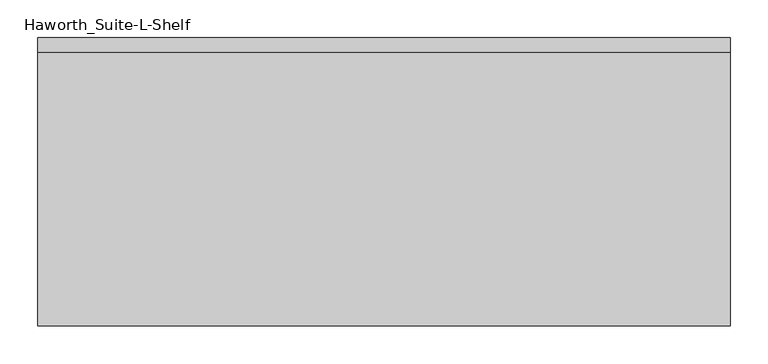
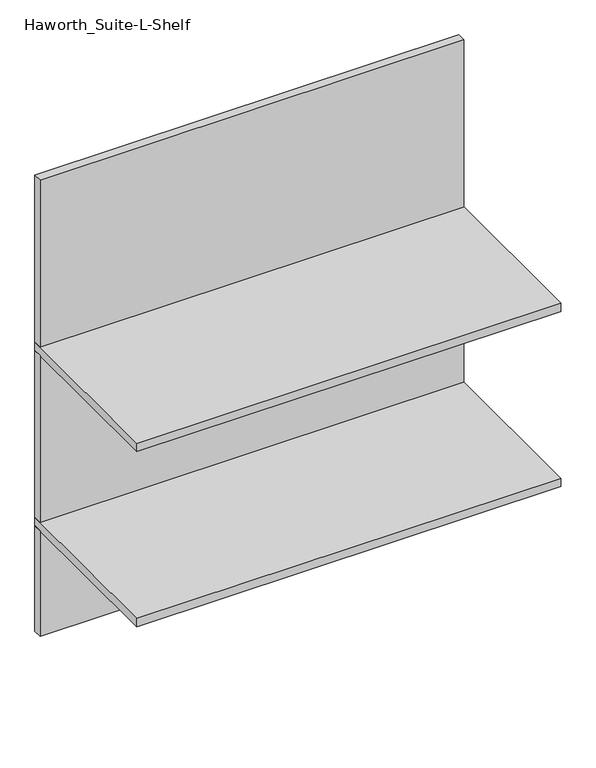
"""IFC4 building model written with IfcOpenShell, lengths in millimetres: furniture geometry, Haworth_Suite-L-Shelf."""

import ifcopenshell
import ifcopenshell.guid

model = None  # the IFC model being written
_history = None  # IfcOwnerHistory: only IFC2X3 demands one
_inside = {}  # id of a spatial element -> (the spatial element, [elements in it])
_under = {}  # id of a project, library or spatial element -> (it, [spatial elements below it])
_declared = {}  # id of a project -> (the project, [libraries it declares])
_typed = {}  # id of a type object -> (the type object, [elements of that type])
_made_of = {}  # id of a material, layer set ... -> (it, [elements and type objects made of it])


def new_model(schema):
    """Start an empty IFC model of exactly this schema.

    Asked for "IFC4X3", IfcOpenShell would pick the latest addendum, in which some entities
    have other attributes; the version numbers below select the first issue.
    IFC2X3 requires an IfcOwnerHistory on every rooted entity: one is made here for all.
    """
    global model, _history
    if schema == "IFC4X3":
        model = ifcopenshell.file(schema_version=(4, 3, 0, 0))
    else:
        model = ifcopenshell.file(schema=schema)
    _inside.clear()
    _under.clear()
    _declared.clear()
    _typed.clear()
    _made_of.clear()
    _history = None
    if model.schema == "IFC2X3":
        org = make("IfcOrganization", Name="unknown")
        user = make(
            "IfcPersonAndOrganization",
            ThePerson=make("IfcPerson", FamilyName="unknown"),
            TheOrganization=org,
        )
        app = make(
            "IfcApplication",
            ApplicationDeveloper=org,
            Version="unknown",
            ApplicationFullName="unknown",
            ApplicationIdentifier="unknown",
        )
        _history = make(
            "IfcOwnerHistory",
            OwningUser=user,
            OwningApplication=app,
            ChangeAction="ADDED",
            CreationDate=0,
        )
    return model


def make(cls, **values):
    """One entity of the class cls with the attributes given. An attribute that is None is left unset."""
    return model.create_entity(
        cls, **{name: value for name, value in values.items() if value is not None}
    )


def rooted(cls, **values):
    """An entity with a GlobalId (a new one), such as an element, a storey or a relation."""
    return make(cls, GlobalId=ifcopenshell.guid.new(), OwnerHistory=_history, **values)


def si_unit(unit_type, name, prefix=None):
    """IfcSIUnit, for example si_unit("LENGTHUNIT", "METRE", prefix="MILLI")."""
    return make("IfcSIUnit", UnitType=unit_type, Prefix=prefix, Name=name)


def assignment(units):
    """IfcUnitAssignment: the units of a project."""
    return None if units is None else make("IfcUnitAssignment", Units=units)


def point(xyz):
    """IfcCartesianPoint."""
    return None if xyz is None else make("IfcCartesianPoint", Coordinates=xyz)


def direction(xyz):
    """IfcDirection."""
    return None if xyz is None else make("IfcDirection", DirectionRatios=xyz)


def frame(location, z_axis=None, x_axis=None):
    """IfcAxis2Placement3D, a coordinate frame: its origin and axes. An axis left out is left unset."""
    return make(
        "IfcAxis2Placement3D",
        Location=point(location),
        Axis=direction(z_axis),
        RefDirection=direction(x_axis),
    )


def origin():
    """The frame at (0, 0, 0) with its axes left unset."""
    return frame((0.0, 0.0, 0.0))


def place(relative_to, where):
    """IfcLocalPlacement: puts the frame where relative to a parent placement (None: the world)."""
    return make(
        "IfcLocalPlacement", PlacementRelTo=relative_to, RelativePlacement=where
    )


def context(
    kind, dimensions, precision=None, world=None, true_north=None, identifier=None
):
    """IfcGeometricRepresentationContext, for example the 3D "Model" context."""
    return make(
        "IfcGeometricRepresentationContext",
        ContextIdentifier=identifier,
        ContextType=kind,
        CoordinateSpaceDimension=dimensions,
        Precision=precision,
        WorldCoordinateSystem=world,
        TrueNorth=true_north,
    )


def project(units=None, contexts=None):
    """IfcProject with its units and contexts."""
    return rooted(
        "IfcProject",
        Name="project",
        RepresentationContexts=contexts,
        UnitsInContext=assignment(units),
    )


def spatial(cls, under=None, at=None, **own):
    """A site, building, storey or space (cls), placed at a placement, below another one or the project."""
    s = rooted(cls, ObjectPlacement=at, **own)
    if under is not None:
        _under.setdefault(under.id(), (under, []))[1].append(s)
    return s


def polyline(points):
    """IfcPolyline through the points."""
    return make("IfcPolyline", Points=[point(p) for p in points])


def outline(outer, holes=None, kind="AREA"):
    """IfcArbitraryClosedProfileDef: a profile drawn as a closed curve; with holes, ...WithVoids."""
    if holes is None:
        return make("IfcArbitraryClosedProfileDef", ProfileType=kind, OuterCurve=outer)
    return make(
        "IfcArbitraryProfileDefWithVoids",
        ProfileType=kind,
        OuterCurve=outer,
        InnerCurves=holes,
    )


def extrude(swept, where, along, depth):
    """IfcExtrudedAreaSolid: the profile swept, set in the frame where, extruded along a direction by depth."""
    return make(
        "IfcExtrudedAreaSolid",
        SweptArea=swept,
        Position=where,
        ExtrudedDirection=direction(along),
        Depth=depth,
    )


def shape(context_of_items, identifier, shape_type, items):
    """IfcShapeRepresentation: the items that make up one representation, for example the "Body"."""
    return make(
        "IfcShapeRepresentation",
        ContextOfItems=context_of_items,
        RepresentationIdentifier=identifier,
        RepresentationType=shape_type,
        Items=items,
    )


def source(mapping_origin, context_of_items, identifier, shape_type, items):
    """IfcRepresentationMap: a shape defined once, which mapped items show again and again."""
    return make(
        "IfcRepresentationMap",
        MappingOrigin=mapping_origin,
        MappedRepresentation=shape(context_of_items, identifier, shape_type, items),
    )


def transform(
    local_origin,
    x_axis=None,
    y_axis=None,
    z_axis=None,
    scale=None,
    scale2=None,
    scale3=None,
    uniform=True,
):
    """IfcCartesianTransformationOperator3D, or its non-uniform kind. x_axis, y_axis, z_axis: its Axis1, 2, 3."""
    if uniform:
        return make(
            "IfcCartesianTransformationOperator3D",
            Axis1=direction(x_axis),
            Axis2=direction(y_axis),
            LocalOrigin=point(local_origin),
            Scale=scale,
            Axis3=direction(z_axis),
        )
    return make(
        "IfcCartesianTransformationOperator3DnonUniform",
        Axis1=direction(x_axis),
        Axis2=direction(y_axis),
        LocalOrigin=point(local_origin),
        Scale=scale,
        Axis3=direction(z_axis),
        Scale2=scale2,
        Scale3=scale3,
    )


def mapped(mapping_source, mapping_target):
    """IfcMappedItem: shows the shape of a source again, moved by a transform."""
    return make(
        "IfcMappedItem", MappingSource=mapping_source, MappingTarget=mapping_target
    )


def made_of(thing, what):
    """Note that an element or type object is made of a material, layer set ...; save() writes the relation."""
    if what is not None:
        _made_of.setdefault(what.id(), (what, []))[1].append(thing)
    return thing


def element(
    cls,
    number,
    at=None,
    inside=None,
    cuts=None,
    type_object=None,
    material=None,
    context=None,
    identifier="Body",
    shape_type=None,
    held_by="IfcProductDefinitionShape",
    body=None,
    shapes=None,
    **own,
):
    """One element of the class cls, such as IfcWall. Its Tag is "e" and its number.

    at: its placement. inside: the storey or other place that contains it. cuts: it is an
    opening in that element (IfcRelVoidsElement). A single representation is given by context,
    identifier, shape_type and body (its items); several are given by shapes. held_by: the class
    of the entity that holds the representations. save() writes the other relations.
    """
    e = rooted(cls, Tag="e%d" % number, ObjectPlacement=at, **own)
    if body is not None:
        shapes = [shape(context, identifier, shape_type, body)]
    if shapes is not None:
        e.Representation = make(held_by, Representations=shapes)
    if inside is not None:
        _inside.setdefault(inside.id(), (inside, []))[1].append(e)
    if cuts is not None:
        rooted(
            "IfcRelVoidsElement", RelatingBuildingElement=cuts, RelatedOpeningElement=e
        )
    if type_object is not None:
        _typed.setdefault(type_object.id(), (type_object, []))[1].append(e)
    return made_of(e, material)


def aggregate(whole, parts):
    """IfcRelAggregates: a whole, such as a stair, and the parts it consists of."""
    return rooted("IfcRelAggregates", RelatingObject=whole, RelatedObjects=parts)


def save(model, path):
    """Write the relations noted so far, then the file.

    IfcRelAggregates (storeys below a building ...), IfcRelContainedInSpatialStructure (elements
    in a storey), IfcRelDefinesByType, IfcRelAssociatesMaterial and IfcRelDeclares: one each for
    every whole, place, type object, material and project.
    """
    for whole, parts in _under.values():
        aggregate(whole, parts)
    for where, things in _inside.values():
        rooted(
            "IfcRelContainedInSpatialStructure",
            RelatedElements=things,
            RelatingStructure=where,
        )
    for kind, things in _typed.values():
        rooted("IfcRelDefinesByType", RelatedObjects=things, RelatingType=kind)
    for what, things in _made_of.values():
        rooted("IfcRelAssociatesMaterial", RelatedObjects=things, RelatingMaterial=what)
    for by, libraries in _declared.values():
        rooted("IfcRelDeclares", RelatingContext=by, RelatedDefinitions=libraries)
    model.write(path)


def haworth_suite_l_shelf_80c17b8f(model_context):
    return source(origin(), model_context, "Body", "SweptSolid", [
        extrude(outline(polyline([(444.5, -12.7), (444.5, -31.75), (-469.9, -31.75), (-469.9, -12.7), (444.5, -12.7)])), frame((0.0, 0.0, 590.55), z_axis=(0.0, 0.0, 1.0), x_axis=(1.0, 0.0, 0.0)), (0.0, 0.0, 1.0), 241.3),
        extrude(outline(polyline([(444.5, -12.7), (444.5, -31.75), (-469.9, -31.75), (-469.9, -12.7), (444.5, -12.7)])), frame((0.0, 0.0, 850.9), z_axis=(0.0, 0.0, 1.0), x_axis=(1.0, 0.0, 0.0)), (0.0, 0.0, 1.0), 381.0),
        extrude(outline(polyline([(444.5, -12.7), (444.5, -31.75), (-469.9, -31.75), (-469.9, -12.7), (444.5, -12.7)])), frame((0.0, 0.0, 1250.95), z_axis=(0.0, 0.0, 1.0), x_axis=(1.0, 0.0, 0.0)), (0.0, 0.0, 1.0), 381.0),
        extrude(outline(polyline([(444.5, -12.7), (444.5, -393.7), (-469.9, -393.7), (-469.9, -12.7), (444.5, -12.7)])), frame((0.0, 0.0, 831.85), z_axis=(0.0, 0.0, 1.0), x_axis=(1.0, 0.0, 0.0)), (0.0, 0.0, 1.0), 19.05),
        extrude(outline(polyline([(444.5, -12.7), (444.5, -393.7), (-469.9, -393.7), (-469.9, -12.7), (444.5, -12.7)])), frame((0.0, 0.0, 1231.9), z_axis=(0.0, 0.0, 1.0), x_axis=(1.0, 0.0, 0.0)), (0.0, 0.0, 1.0), 19.05),
    ])


if __name__ == "__main__":
    model = new_model("IFC4")
    model_context = context("Model", 3, world=origin())
    ifc_project = project(units=[si_unit("LENGTHUNIT", "METRE", prefix="MILLI")], contexts=[model_context])
    site = spatial("IfcSite", under=ifc_project)
    building = spatial("IfcBuilding", under=site)
    placement = place(None, origin())
    haworth_suite_l_shelf_shape = haworth_suite_l_shelf_80c17b8f(model_context)
    element("IfcFurniture", 1, ObjectType="Haworth_Suite-L-Shelf", at=placement, inside=building, context=model_context, shape_type="MappedRepresentation", body=[
        mapped(haworth_suite_l_shelf_shape, transform((0.0, 0.0, 0.0), x_axis=(1.0, 0.0, 0.0), y_axis=(0.0, 1.0, 0.0), z_axis=(0.0, 0.0, 1.0))),
    ])
    save(model, "model.ifc")
